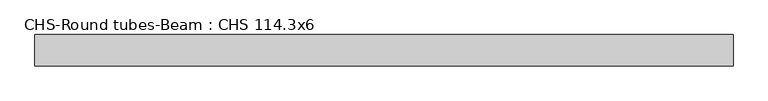
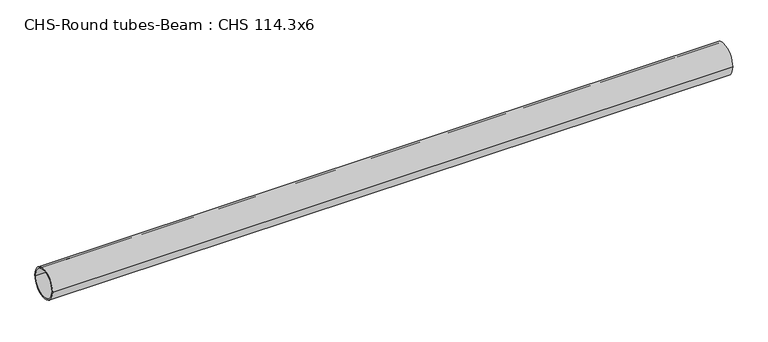
"""IFC4 building model written with IfcOpenShell, lengths in millimetres: beam geometry, CHS-Round tubes-Beam : CHS 114.3x6."""

from ifc_helpers import new_model, si_unit, point, frame, origin, origin_2d, place, context, project, spatial, circle_curve, trimmed, segment, composite_curve, outline, extrude, source, transform, mapped, element, save


def chs_round_tubes_beam_chs_114_3x6_51513128(model_context):
    return source(origin(), model_context, "Body", "SweptSolid", [
        extrude(outline(composite_curve([segment(trimmed(circle_curve(origin_2d(), 57.15), [point((57.15, 0.0))], [point((-57.15, 0.0))], False, "CARTESIAN"), True, "CONTINUOUS"), segment(trimmed(circle_curve(origin_2d(), 57.15), [point((-57.15, 0.0))], [point((57.15, 0.0))], False, "CARTESIAN"), True, "CONTINUOUS")], self_intersect=False), holes=[composite_curve([segment(trimmed(circle_curve(origin_2d(), 51.15), [point((51.15, 0.0))], [point((-51.15, 0.0))], True, "CARTESIAN"), True, "CONTINUOUS"), segment(trimmed(circle_curve(origin_2d(), 51.15), [point((-51.15, 0.0))], [point((51.15, 0.0))], True, "CARTESIAN"), True, "CONTINUOUS")], self_intersect=False)]), frame((-1107.6143366, 0.0, 0.0), z_axis=(1.0, 0.0, 0.0), x_axis=(0.0, 1.0, 0.0)), (0.0, 0.0, 1.0), 2543.2567201),
    ])


if __name__ == "__main__":
    model = new_model("IFC4")
    model_context = context("Model", 3, world=origin())
    ifc_project = project(units=[si_unit("LENGTHUNIT", "METRE", prefix="MILLI")], contexts=[model_context])
    site = spatial("IfcSite", under=ifc_project)
    building = spatial("IfcBuilding", under=site)
    placement = place(None, origin())
    chs_round_tubes_beam_chs_114_3x6_shape = chs_round_tubes_beam_chs_114_3x6_51513128(model_context)
    element("IfcBeam", 1, ObjectType="CHS-Round tubes-Beam : CHS 114.3x6", at=placement, inside=building, context=model_context, shape_type="MappedRepresentation", body=[
        mapped(chs_round_tubes_beam_chs_114_3x6_shape, transform((0.0, 0.0, 0.0), x_axis=(1.0, 0.0, 0.0), y_axis=(0.0, 1.0, 0.0), z_axis=(0.0, 0.0, 1.0))),
    ])
    save(model, "model.ifc")
